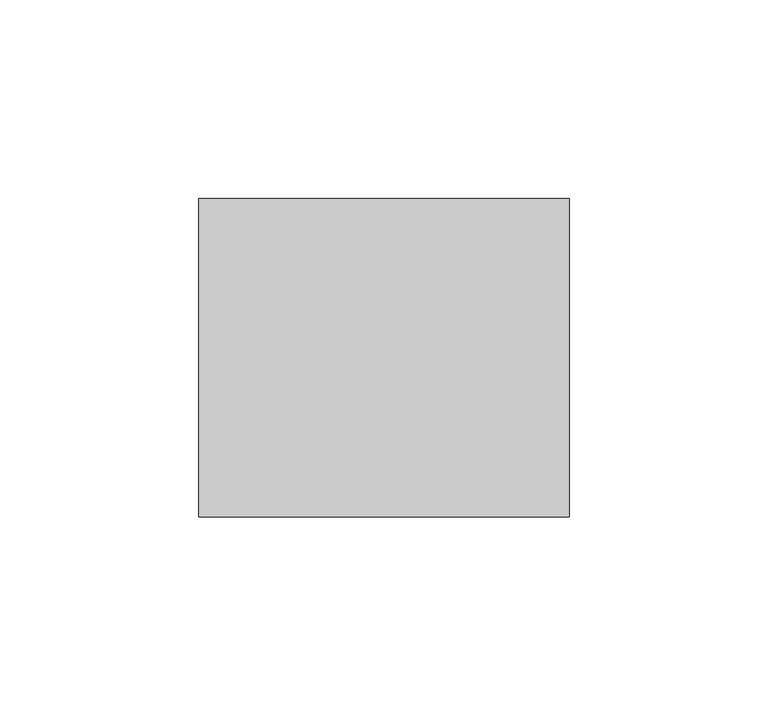
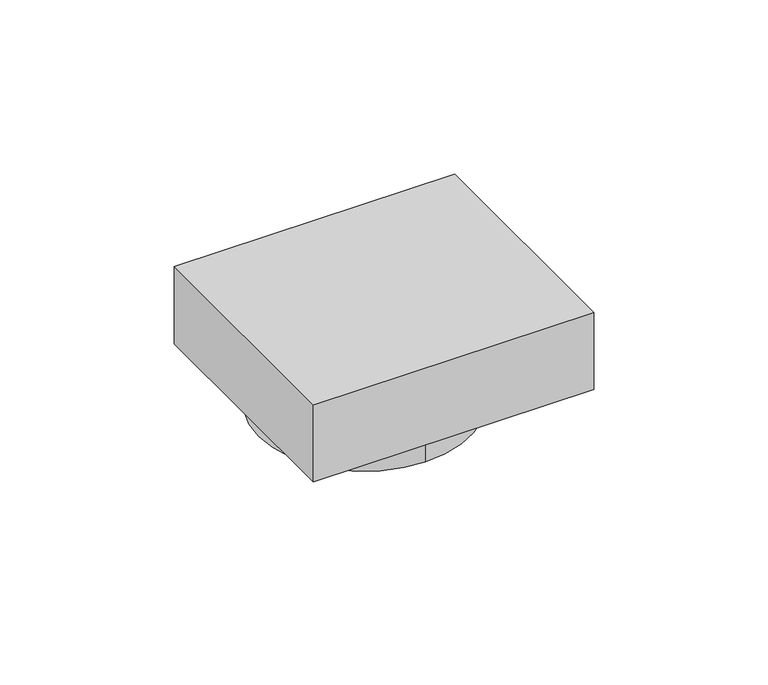
"""IFC4 building model written with IfcOpenShell, lengths in millimetres: switching device geometry."""

from ifc_helpers import new_model, si_unit, point, frame, origin, place, context, project, spatial, polyline, circle_curve, ellipse_curve, trimmed, outline, extrude, source, transform, mapped, element, save
from ifc_brep_helpers import plane_surface, cylinder_surface, revolved_surface, advanced_brep


def switching_device_78c68a42(model_context):
    return source(origin(), model_context, "Body", "SolidModel", [
        advanced_brep(
        [(0.0, 25.0, -27.0), (0.0, -25.0, -27.0), (0.0, 0.0, -27.0), (0.0, 27.5, -32.0), (0.0, -27.5, -32.0), (0.0, 0.0, -37.0)],
        [
            (0, 1, circle_curve(frame((0.0, 0.0, -27.0), z_axis=(0.0, 0.0, 1.0), x_axis=(0.0, -1.0, 0.0)), 25.0)),
            (1, 2),
            (2, 0),
            (1, 0, circle_curve(frame((0.0, 0.0, -27.0), z_axis=(0.0, 0.0, 1.0), x_axis=(0.0, -1.0, 0.0)), 25.0)),
            (3, 4, circle_curve(frame((0.0, 0.0, -32.0), z_axis=(0.0, 0.0, 1.0), x_axis=(0.0, -1.0, 0.0)), 27.5)),
            (4, 1),
            (0, 3),
            (4, 3, circle_curve(frame((0.0, 0.0, -32.0), z_axis=(0.0, 0.0, 1.0), x_axis=(0.0, -1.0, 0.0)), 27.5)),
            (5, 4, circle_curve(frame((0.0, 0.0, 41.125), z_axis=(-1.0, 0.0, 0.0), x_axis=(0.0, -1.0, 0.0)), 78.125)),
            (3, 5, circle_curve(frame((0.0, 0.0, 41.125), z_axis=(-1.0, 0.0, 0.0), x_axis=(0.0, 1.0, 0.0)), 78.125)),
        ],
        [
            plane_surface(frame((0.0, 0.0, -27.0), z_axis=(0.0, 0.0, 1.0), x_axis=(0.0, -1.0, 0.0))),
            revolved_surface(polyline([(0.0, -25.0, -27.0), (0.0, -27.5, -32.0)]), (0.0, 0.0, -2.7769597), (0.0, 0.0, -1.0)),
            revolved_surface(trimmed(ellipse_curve(frame((0.0, 0.0, 41.125), z_axis=(1.0, 0.0, 0.0), x_axis=(0.0, -1.0, 0.0)), 78.125, 78.125), [point((0.0, -27.5, -32.0))], [point((0.0, 0.0, -37.0))], True, "CARTESIAN"), (0.0, 0.0, -2.7769597), (0.0, 0.0, -1.0)),
        ],
        [
            (0, [[1, 2, 3]]),
            (0, [[4, -3, -2]]),
            (1, [[5, 6, -1, 7]]),
            (1, [[8, -7, -4, -6]]),
            (2, [[9, -5, 10]]),
            (2, [[-10, -8, -9]]),
        ],
    ),
        advanced_brep(
        [(0.0, 30.0, -37.0), (0.0, -30.0, -37.0), (0.0, -35.0, -37.0), (0.0, 35.0, -37.0), (0.0, 35.0, -27.0), (0.0, -35.0, -27.0), (0.0, -25.0, -27.0), (0.0, 25.0, -27.0)],
        [
            (0, 1, circle_curve(frame((0.0, 0.0, -37.0), z_axis=(0.0, 0.0, 1.0), x_axis=(0.0, -1.0, 0.0)), 30.0)),
            (1, 2),
            (2, 3, circle_curve(frame((0.0, 0.0, -37.0), z_axis=(0.0, 0.0, -1.0), x_axis=(0.0, -1.0, 0.0)), 35.0)),
            (3, 0),
            (1, 0, circle_curve(frame((0.0, 0.0, -37.0), z_axis=(0.0, 0.0, 1.0), x_axis=(0.0, -1.0, 0.0)), 30.0)),
            (3, 2, circle_curve(frame((0.0, 0.0, -37.0), z_axis=(0.0, 0.0, -1.0), x_axis=(0.0, -1.0, 0.0)), 35.0)),
            (4, 5, circle_curve(frame((0.0, 0.0, -27.0), z_axis=(0.0, 0.0, 1.0), x_axis=(0.0, -1.0, 0.0)), 35.0)),
            (5, 6),
            (6, 7, circle_curve(frame((0.0, 0.0, -27.0), z_axis=(0.0, 0.0, -1.0), x_axis=(0.0, -1.0, 0.0)), 25.0)),
            (7, 4),
            (5, 4, circle_curve(frame((0.0, 0.0, -27.0), z_axis=(0.0, 0.0, 1.0), x_axis=(0.0, -1.0, 0.0)), 35.0)),
            (7, 6, circle_curve(frame((0.0, 0.0, -27.0), z_axis=(0.0, 0.0, -1.0), x_axis=(0.0, -1.0, 0.0)), 25.0)),
            (2, 5),
            (4, 3),
            (6, 1),
            (0, 7),
        ],
        [
            plane_surface(frame((0.0, 0.0, -37.0), z_axis=(0.0, 0.0, -1.0), x_axis=(0.0, -1.0, 0.0))),
            plane_surface(frame((0.0, 0.0, -27.0), z_axis=(0.0, 0.0, 1.0), x_axis=(0.0, -1.0, 0.0))),
            cylinder_surface(frame((0.0, 0.0, 0.0), z_axis=(0.0, 0.0, -1.0), x_axis=(0.0, -1.0, 0.0)), 35.0),
            revolved_surface(polyline([(0.0, -30.0, -37.0), (0.0, -25.0, -27.0)]), (0.0, 0.0, 0.0), (0.0, 0.0, -1.0)),
        ],
        [
            (0, [[1, 2, 3, 4]]),
            (0, [[5, -4, 6, -2]]),
            (1, [[7, 8, 9, 10]]),
            (1, [[11, -10, 12, -8]]),
            (2, [[-3, 13, -7, 14]]),
            (2, [[-6, -14, -11, -13]]),
            (3, [[-9, 15, -1, 16]]),
            (3, [[-12, -16, -5, -15]]),
        ],
    ),
        extrude(outline(polyline([(53.0, -40.0), (-40.0, -40.0), (-40.0, 40.0), (53.0, 40.0), (53.0, -40.0)])), frame((0.0, 0.0, -27.0), z_axis=(0.0, 0.0, 1.0), x_axis=(1.0, 0.0, 0.0)), (0.0, 0.0, 1.0), 27.0),
    ])


if __name__ == "__main__":
    model = new_model("IFC4")
    model_context = context("Model", 3, world=origin())
    ifc_project = project(units=[si_unit("LENGTHUNIT", "METRE", prefix="MILLI")], contexts=[model_context])
    site = spatial("IfcSite", under=ifc_project)
    building = spatial("IfcBuilding", under=site)
    placement = place(None, origin())
    switching_device_shape = switching_device_78c68a42(model_context)
    element("IfcSwitchingDevice", 1, at=placement, inside=building, context=model_context, shape_type="MappedRepresentation", body=[
        mapped(switching_device_shape, transform((0.0, 0.0, 0.0), x_axis=(1.0, 0.0, 0.0), y_axis=(0.0, 1.0, 0.0), z_axis=(0.0, 0.0, 1.0))),
    ])
    save(model, "model.ifc")
